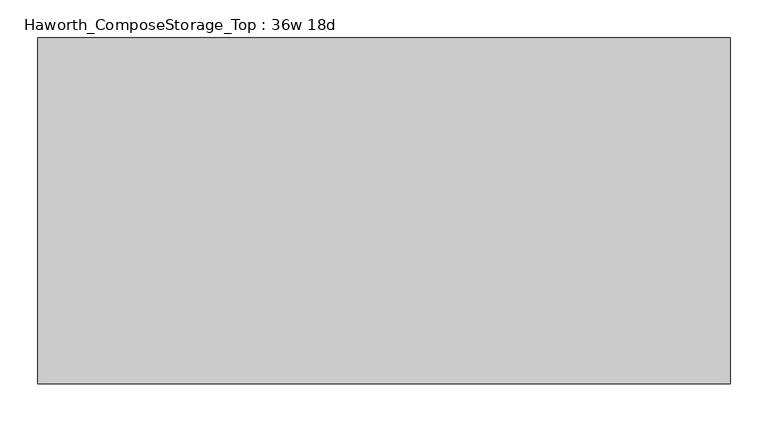
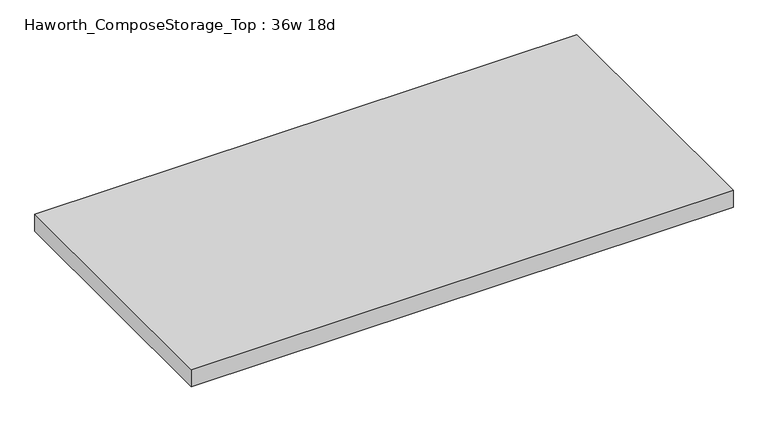
"""IFC4 building model written with IfcOpenShell, lengths in millimetres: furniture geometry, Haworth_ComposeStorage_Top : 36w 18d."""

from ifc_helpers import new_model, si_unit, frame, origin, place, context, project, spatial, polyline, outline, extrude, source, transform, mapped, element, save


def haworth_composestorage_top_36w_18d_c013632c(model_context):
    return source(origin(), model_context, "Body", "SweptSolid", [
        extrude(outline(polyline([(457.2, 228.6), (457.2, -228.6), (-457.2, -228.6), (-457.2, 228.6), (457.2, 228.6)])), frame((0.0, 0.0, 706.4375), z_axis=(0.0, 0.0, 1.0), x_axis=(1.0, 0.0, 0.0)), (0.0, 0.0, 1.0), 30.1625),
    ])


if __name__ == "__main__":
    model = new_model("IFC4")
    model_context = context("Model", 3, world=origin())
    ifc_project = project(units=[si_unit("LENGTHUNIT", "METRE", prefix="MILLI")], contexts=[model_context])
    site = spatial("IfcSite", under=ifc_project)
    building = spatial("IfcBuilding", under=site)
    placement = place(None, origin())
    haworth_composestorage_top_36w_18d_shape = haworth_composestorage_top_36w_18d_c013632c(model_context)
    element("IfcFurniture", 1, ObjectType="Haworth_ComposeStorage_Top : 36w 18d", at=placement, inside=building, context=model_context, shape_type="MappedRepresentation", body=[
        mapped(haworth_composestorage_top_36w_18d_shape, transform((0.0, 0.0, 0.0), x_axis=(1.0, 0.0, 0.0), y_axis=(0.0, 1.0, 0.0), z_axis=(0.0, 0.0, 1.0))),
    ])
    save(model, "model.ifc")
